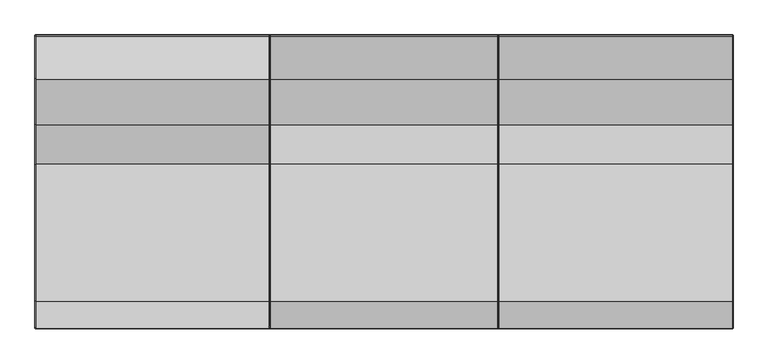
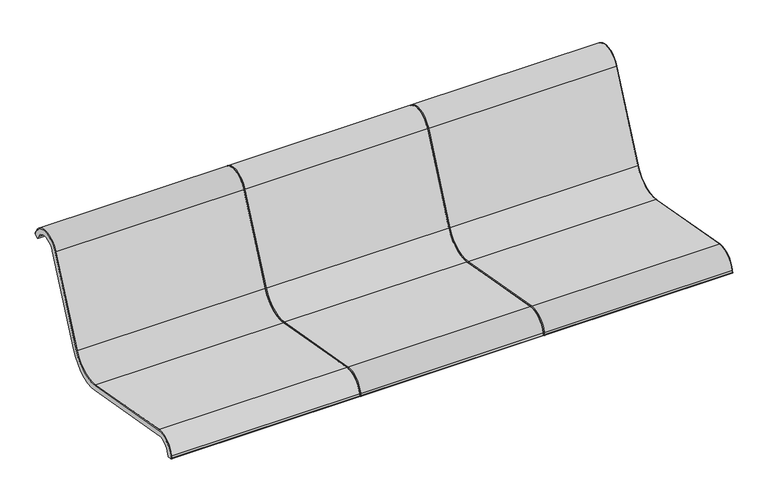
"""IFC4 building model written with IfcOpenShell, lengths in millimetres: furniture geometry."""

from ifc_helpers import new_model, si_unit, point, frame, origin, place, context, project, spatial, polyline, circle_curve, ellipse_curve, trimmed, source, transform, mapped, element, save
from ifc_brep_helpers import plane_surface, cylinder_surface, revolved_surface, advanced_brep


def furniture_48717bb9(model_context):
    return source(origin(), model_context, "Body", "AdvancedBrep", [
        advanced_brep(
        [(-315.5, 387.7145515, 668.2491387), (-315.5, 382.8976748, 677.7027915), (-315.5, 300.0909448, 675.5344209), (-315.5, 173.7831535, 391.8424769), (-315.5, 43.3199172, 322.4739437), (-315.5, -334.8137617, 389.1491136), (-315.5, -386.6445717, 354.1887908), (-315.5, -388.7630396, 344.2221828), (-315.5, -405.3915488, 347.7566815), (-315.5, -403.2730809, 357.7232895), (-315.5, -331.8617426, 405.8908454), (-315.5, 46.2719363, 339.2156755), (-315.5, 158.2528807, 398.7569998), (-315.5, 284.560672, 682.4489438), (-315.5, 398.0447857, 685.4206299), (-315.5, 402.8616624, 675.9669771), (315.5, -388.7630396, 344.2221828), (315.5, -386.6445717, 354.1887908), (315.5, -334.8137617, 389.1491136), (315.5, 43.3199172, 322.4739437), (315.5, 173.7831535, 391.8424769), (315.5, 300.0909448, 675.5344209), (315.5, 382.8976748, 677.7027915), (315.5, 387.7145515, 668.2491387), (315.5, 402.8616624, 675.9669771), (315.5, 398.0447857, 685.4206299), (315.5, 284.560672, 682.4489438), (315.5, 158.2528807, 398.7569998), (315.5, 46.2719363, 339.2156755), (315.5, -331.8617426, 405.8908454), (315.5, -403.2730809, 357.7232895), (315.5, -405.3915488, 347.7566815), (-312.5, -331.3407981, 408.8452686), (312.5, -331.3407981, 408.8452686), (312.5, 46.7928808, 342.1700987), (-312.5000019, 46.7928808, 342.1700987), (-312.5, -406.2075237, 358.3470246), (312.5, -406.2075237, 358.3470246), (-312.5, -407.7022566, 351.3148594), (312.5, -407.7022566, 351.3148594), (-312.5000019, 400.7178052, 686.7826014), (312.5, 400.7178052, 686.7826014), (312.5, 404.1727104, 680.0019682), (-312.5, 404.1727104, 680.0019682), (-312.5, 281.8200356, 683.6691538), (312.5, 281.8200356, 683.6691538), (-312.5, 155.5122443, 399.9772097), (312.5, 155.5122443, 399.9772097)],
        [
            (0, 1),
            (1, 2, circle_curve(frame((-315.5, 342.0114396, 656.8702141), z_axis=(1.0, 0.0, 0.0), x_axis=(0.0, -1.0, 0.0)), 45.8876945)),
            (2, 3),
            (3, 4, circle_curve(frame((-315.5, 64.1576986, 440.650874), z_axis=(-1.0, 0.0, 0.0), x_axis=(0.0, -1.0, 0.0)), 120.0)),
            (4, 5),
            (5, 6, circle_curve(frame((-315.5, -342.6279297, 344.8327647), z_axis=(1.0, 0.0, 0.0), x_axis=(0.0, -1.0, 0.0)), 45.0)),
            (6, 7),
            (7, 8),
            (8, 9),
            (9, 10, circle_curve(frame((-315.5, -342.6279297, 344.8327647), z_axis=(-1.0, 0.0, 0.0), x_axis=(0.0, -0.978147600733805, 0.20791169081776223)), 62.0)),
            (10, 11),
            (11, 12, circle_curve(frame((-315.5, 64.1576986, 440.650874), z_axis=(1.0, 0.0, 0.0), x_axis=(0.0, -0.17364817766693807, -0.9848077530122067)), 103.0)),
            (12, 13),
            (13, 14, circle_curve(frame((-315.5, 342.0114396, 656.8702141), z_axis=(-1.0, 0.0, 0.0), x_axis=(0.0, -0.9135454576427043, 0.4067366430755679)), 62.8876945)),
            (14, 15),
            (15, 0),
            (16, 17),
            (17, 18, circle_curve(frame((315.5, -342.6279297, 344.8327647), z_axis=(-1.0, 0.0, 0.0), x_axis=(0.0, -1.0, 0.0)), 45.0)),
            (18, 19),
            (19, 20, circle_curve(frame((315.5, 64.1576986, 440.650874), z_axis=(1.0, 0.0, 0.0), x_axis=(0.0, -1.0, 0.0)), 120.0)),
            (20, 21),
            (21, 22, circle_curve(frame((315.5, 342.0114396, 656.8702141), z_axis=(-1.0, 0.0, 0.0), x_axis=(0.0, -1.0, 0.0)), 45.8876945)),
            (22, 23),
            (23, 24),
            (24, 25),
            (25, 26, circle_curve(frame((315.5, 342.0114396, 656.8702141), z_axis=(1.0, 0.0, 0.0), x_axis=(0.0, 0.8910065241883703, 0.4539904997395419)), 62.8876945)),
            (26, 27),
            (27, 28, circle_curve(frame((315.5, 64.1576986, 440.650874), z_axis=(-1.0, 0.0, 0.0), x_axis=(0.0, 0.9135454576427068, -0.40673664307556245)), 103.0)),
            (28, 29),
            (29, 30, circle_curve(frame((315.5, -342.6279297, 344.8327647), z_axis=(1.0, 0.0, 0.0), x_axis=(0.0, 0.17364817766694432, 0.9848077530122056)), 62.0)),
            (30, 31),
            (31, 16),
            (32, 33),
            (33, 34),
            (34, 35),
            (35, 32),
            (32, 36, circle_curve(frame((-312.5, -342.6279297, 344.8327647), z_axis=(1.0, 0.0, 0.0), x_axis=(0.0, -1.0, 0.0)), 65.0)),
            (36, 37),
            (37, 33, circle_curve(frame((312.5, -342.6279297, 344.8327647), z_axis=(-1.0, 0.0, 0.0), x_axis=(0.0, -1.0, 0.0)), 65.0)),
            (36, 38),
            (38, 39),
            (39, 37),
            (7, 16),
            (31, 8),
            (6, 17),
            (5, 18),
            (4, 19),
            (3, 20),
            (2, 21),
            (1, 22),
            (0, 23),
            (15, 24),
            (40, 41),
            (41, 42),
            (42, 43),
            (43, 40),
            (40, 44, circle_curve(frame((-312.5, 342.0114396, 656.8702141), z_axis=(1.0, 0.0, 0.0), x_axis=(0.0, -1.0, 0.0)), 65.8876945)),
            (44, 45),
            (45, 41, circle_curve(frame((312.5, 342.0114396, 656.8702141), z_axis=(-1.0, 0.0, 0.0), x_axis=(0.0, -1.0, 0.0)), 65.8876945)),
            (44, 46),
            (46, 47),
            (47, 45),
            (46, 35, circle_curve(frame((-312.5, 64.1576986, 440.650874), z_axis=(-1.0, 0.0, 0.0), x_axis=(0.0, -1.0, 0.0)), 100.0)),
            (34, 47, circle_curve(frame((312.5, 64.1576986, 440.650874), z_axis=(1.0, 0.0, 0.0), x_axis=(0.0, -1.0, 0.0)), 100.0)),
            (46, 12, circle_curve(frame((-312.5, 158.2528807, 398.7569998), z_axis=(0.0, -0.406736643075568, -0.9135454576427042), x_axis=(0.0, 0.9135454576427042, -0.406736643075568)), 3.0)),
            (11, 35, circle_curve(frame((-312.5, 46.2719363, 339.2156755), z_axis=(0.0, 0.9848077530122067, -0.17364817766693788), x_axis=(0.0, -0.17364817766693788, -0.9848077530122067)), 3.0)),
            (44, 13, circle_curve(frame((-312.5, 284.560672, 682.4489438), z_axis=(0.0, -0.40673664307556817, -0.9135454576427042), x_axis=(0.0, 0.9135454576427042, -0.40673664307556817)), 3.0)),
            (40, 14, circle_curve(frame((-312.5, 398.0447857, 685.4206299), z_axis=(0.0, -0.45399049973954786, 0.8910065241883673), x_axis=(0.0, -0.8910065241883673, -0.45399049973954786)), 3.0)),
            (43, 15, ellipse_curve(frame((-312.5, 401.4996909, 678.6399967), z_axis=(-0.7071067811865474, -0.32101976096010315, 0.6300367553350507), x_axis=(-0.7071067811865476, 0.32101976096010315, -0.6300367553350502)), 4.2426407, 3.0)),
            (42, 24, ellipse_curve(frame((312.5, 401.4996909, 678.6399967), z_axis=(-0.7071067811865476, 0.32101976096010343, -0.6300367553350502), x_axis=(0.7071067811865475, 0.32101976096010326, -0.6300367553350503)), 4.2426407, 3.0)),
            (41, 25, circle_curve(frame((312.5, 398.0447857, 685.4206299), z_axis=(0.0, 0.45399049973954725, -0.8910065241883677), x_axis=(0.0, -0.8910065241883677, -0.45399049973954725)), 3.0)),
            (45, 26, circle_curve(frame((312.5, 284.560672, 682.4489438), z_axis=(0.0, 0.40673664307557233, 0.9135454576427023), x_axis=(0.0, 0.9135454576427023, -0.40673664307557233)), 3.0)),
            (47, 27, circle_curve(frame((312.5, 158.2528807, 398.7569998), z_axis=(0.0, 0.40673664307556795, 0.9135454576427045), x_axis=(0.0, 0.9135454576427045, -0.40673664307556795)), 3.0)),
            (34, 28, circle_curve(frame((312.5, 46.2719363, 339.2156755), z_axis=(0.0, 0.9848077530122081, -0.17364817766693072), x_axis=(0.0, -0.17364817766693072, -0.9848077530122081)), 3.0)),
            (33, 29, circle_curve(frame((312.5, -331.8617426, 405.8908454), z_axis=(0.0, 0.984807753012207, -0.17364817766693721), x_axis=(0.0, -0.17364817766693721, -0.984807753012207)), 3.0)),
            (37, 30, circle_curve(frame((312.5, -403.2730809, 357.7232895), z_axis=(0.0, 0.20791169081776625, 0.9781476007338041), x_axis=(0.0, 0.9781476007338041, -0.20791169081776625)), 3.0)),
            (39, 31, ellipse_curve(frame((312.5, -404.7678138, 350.6911243), z_axis=(0.7071067811865474, 0.14701576646520018, 0.6916548014802252), x_axis=(0.7071067811865475, -0.1470157664652006, -0.6916548014802252)), 4.2426407, 3.0)),
            (38, 8, ellipse_curve(frame((-312.5, -404.7678138, 350.6911243), z_axis=(0.7071067811865475, -0.14701576646520106, -0.691654801480225), x_axis=(-0.7071067811865477, -0.14701576646520056, -0.6916548014802248)), 4.2426407, 3.0)),
            (36, 9, circle_curve(frame((-312.5, -403.2730809, 357.7232895), z_axis=(0.0, -0.2079116908177627, -0.9781476007338049), x_axis=(0.0, 0.9781476007338049, -0.2079116908177627)), 3.0)),
            (32, 10, circle_curve(frame((-312.5, -331.8617426, 405.8908454), z_axis=(0.0, -0.9848077530122067, 0.17364817766693802), x_axis=(0.0, -0.17364817766693802, -0.9848077530122067)), 3.0)),
        ],
        [
            plane_surface(frame((-315.5, -35.8423014, 440.650874), z_axis=(-1.0, 0.0, 0.0), x_axis=(0.0, 0.0, -1.0))),
            plane_surface(frame((315.5, -35.8423014, 440.650874), z_axis=(1.0, 0.0, 0.0), x_axis=(0.0, 0.0, 1.0))),
            plane_surface(frame((-315.5, -331.3407981, 408.8452686), z_axis=(0.0, 0.17364817766693752, 0.9848077530122068), x_axis=(1.0, 0.0, 0.0))),
            cylinder_surface(frame((315.5, -342.6279297, 344.8327647), z_axis=(-1.0, 0.0, 0.0), x_axis=(0.0, -1.0, 0.0)), 65.0),
            plane_surface(frame((-315.5, -408.3259916, 348.3804166), z_axis=(0.0, -0.978147600733805, 0.20791169081776237), x_axis=(1.0, 0.0, 0.0))),
            plane_surface(frame((-315.5, -388.7630396, 344.2221828), z_axis=(0.0, -0.20791169081776403, -0.9781476007338047), x_axis=(1.0, 0.0, 0.0))),
            plane_surface(frame((-315.5, -386.6445717, 354.1887908), z_axis=(0.0, 0.978147600733805, -0.20791169081776237), x_axis=(1.0, 0.0, 0.0))),
            revolved_surface(polyline([(315.5, -387.6279297, 344.8327647), (-315.5, -387.6279297, 344.8327647)]), (315.5, -342.6279297, 344.8327647), (1.0, 0.0, 0.0)),
            plane_surface(frame((-315.5, 43.3199172, 322.4739437), z_axis=(0.0, -0.1736481776669378, -0.9848077530122068), x_axis=(1.0, 0.0, 0.0))),
            cylinder_surface(frame((315.5, 64.1576986, 440.650874), z_axis=(-1.0, 0.0, 0.0), x_axis=(0.0, -1.0, 0.0)), 120.0),
            plane_surface(frame((-315.5, 300.0909448, 675.5344209), z_axis=(0.0, 0.9135454576427043, -0.406736643075568), x_axis=(1.0, 0.0, 0.0))),
            revolved_surface(polyline([(315.5, 296.1237451, 656.8702141), (-315.5, 296.1237451, 656.8702141)]), (315.5, 342.0114396, 656.8702141), (1.0, 0.0, 0.0)),
            plane_surface(frame((-315.5, 387.7145515, 668.2491387), z_axis=(0.0, -0.8910065241883677, -0.45399049973954725), x_axis=(1.0, 0.0, 0.0))),
            plane_surface(frame((-315.5, 405.5346819, 677.3289486), z_axis=(0.0, 0.45399049973954636, -0.8910065241883681), x_axis=(1.0, 0.0, 0.0))),
            plane_surface(frame((-315.5, 400.7178052, 686.7826014), z_axis=(0.0, 0.8910065241883678, 0.4539904997395471), x_axis=(1.0, 0.0, 0.0))),
            cylinder_surface(frame((315.5, 342.0114396, 656.8702141), z_axis=(-1.0, 0.0, 0.0), x_axis=(0.0, -1.0, 0.0)), 65.8876945),
            plane_surface(frame((-315.5, 155.5122443, 399.9772097), z_axis=(0.0, -0.9135454576427042, 0.4067366430755681), x_axis=(1.0, 0.0, 0.0))),
            revolved_surface(polyline([(312.5, -35.8423014, 440.650874), (-312.5000018999999, -35.8423014, 440.650874)]), (315.5, 64.1576986, 440.650874), (1.0, 0.0, 0.0)),
            revolved_surface(trimmed(ellipse_curve(frame((-312.5, 46.2719363, 339.2156755), z_axis=(0.0, -0.9848077530122067, 0.17364817766693788), x_axis=(0.0, -0.17364817766693788, -0.9848077530122067)), 3.0, 3.0), [point((-312.5, 46.7928808, 342.1700987))], [point((-315.5, 46.2719363, 339.2156755))], True, "CARTESIAN"), (-315.5, 64.1576986, 440.650874), (1.0, 0.0, 0.0)),
            cylinder_surface(frame((-312.5, 158.2528807, 398.7569998), z_axis=(0.0, 0.40673664307556817, 0.9135454576427042), x_axis=(0.0, 0.9135454576427042, -0.40673664307556817)), 3.0),
            revolved_surface(trimmed(ellipse_curve(frame((-312.5, 284.560672, 682.4489438), z_axis=(0.0, -0.406736643075568, -0.9135454576427043), x_axis=(0.0, 0.9135454576427043, -0.406736643075568)), 3.0, 3.0), [point((-312.5, 281.8200356, 683.6691538))], [point((-315.5, 284.560672, 682.4489438))], True, "CARTESIAN"), (-315.5, 342.0114396, 656.8702141), (-1.0, 0.0, 0.0)),
            cylinder_surface(frame((-312.5, 398.0447857, 685.4206299), z_axis=(0.0, 0.4539904997395469, -0.8910065241883678), x_axis=(0.0, -0.8910065241883678, -0.4539904997395469)), 3.0),
            cylinder_surface(frame((-315.5, 401.4996909, 678.6399967), z_axis=(1.0, 0.0, 0.0), x_axis=(0.0, -0.8910065241883678, -0.4539904997395471)), 3.0),
            cylinder_surface(frame((312.5, 402.8616624, 675.9669771), z_axis=(0.0, -0.45399049973954725, 0.8910065241883677), x_axis=(0.0, -0.8910065241883677, -0.45399049973954725)), 3.0),
            revolved_surface(trimmed(ellipse_curve(frame((312.5, 398.0447857, 685.4206299), z_axis=(0.0, 0.45399049973954214, -0.8910065241883702), x_axis=(0.0, -0.8910065241883702, -0.45399049973954214)), 3.0, 3.0), [point((312.5, 400.7178052, 686.7826014))], [point((315.5, 398.0447857, 685.4206299))], True, "CARTESIAN"), (315.5, 342.0114396, 656.8702141), (1.0, 0.0, 0.0)),
            cylinder_surface(frame((312.5, 284.560672, 682.4489438), z_axis=(0.0, -0.40673664307556795, -0.9135454576427045), x_axis=(0.0, 0.9135454576427045, -0.40673664307556795)), 3.0),
            revolved_surface(trimmed(ellipse_curve(frame((312.5, 158.2528807, 398.7569998), z_axis=(0.0, 0.4067366430755622, 0.9135454576427069), x_axis=(0.0, 0.9135454576427069, -0.4067366430755622)), 3.0, 3.0), [point((312.5, 155.5122443, 399.9772097))], [point((315.5, 158.2528807, 398.7569998))], True, "CARTESIAN"), (315.5, 64.1576986, 440.650874), (-1.0, 0.0, 0.0)),
            cylinder_surface(frame((312.5, 46.2719363, 339.2156755), z_axis=(0.0, -0.984807753012207, 0.17364817766693721), x_axis=(0.0, -0.17364817766693721, -0.984807753012207)), 3.0),
            revolved_surface(trimmed(ellipse_curve(frame((312.5, -331.8617426, 405.8908454), z_axis=(0.0, 0.9848077530122057, -0.173648177666944), x_axis=(0.0, -0.173648177666944, -0.9848077530122057)), 3.0, 3.0), [point((312.5, -331.3407981, 408.8452686))], [point((315.5, -331.8617426, 405.8908454))], True, "CARTESIAN"), (315.5, -342.6279297, 344.8327647), (1.0, 0.0, 0.0)),
            cylinder_surface(frame((312.5, -403.2730809, 357.7232895), z_axis=(0.0, -0.20791169081776206, -0.9781476007338051), x_axis=(0.0, 0.9781476007338051, -0.20791169081776206)), 3.0),
            cylinder_surface(frame((315.5, -404.7678138, 350.6911243), z_axis=(-1.0, 0.0, 0.0), x_axis=(0.0, 0.978147600733805, -0.20791169081776234)), 3.0),
            cylinder_surface(frame((-312.5, -405.3915488, 347.7566815), z_axis=(0.0, 0.2079116908177627, 0.9781476007338049), x_axis=(0.0, 0.9781476007338049, -0.2079116908177627)), 3.0),
            revolved_surface(trimmed(ellipse_curve(frame((-312.5, -403.2730809, 357.7232895), z_axis=(0.0, -0.20791169081776276, -0.9781476007338049), x_axis=(0.0, 0.9781476007338049, -0.20791169081776276)), 3.0, 3.0), [point((-312.5, -406.2075237, 358.3470246))], [point((-315.5, -403.2730809, 357.7232895))], True, "CARTESIAN"), (-315.5, -342.6279297, 344.8327647), (-1.0, 0.0, 0.0)),
            cylinder_surface(frame((-312.5, -331.8617426, 405.8908454), z_axis=(0.0, 0.9848077530122068, -0.17364817766693783), x_axis=(0.0, -0.17364817766693783, -0.9848077530122068)), 3.0),
        ],
        [
            (0, [[1, 2, 3, 4, 5, 6, 7, 8, 9, 10, 11, 12, 13, 14, 15, 16]]),
            (1, [[17, 18, 19, 20, 21, 22, 23, 24, 25, 26, 27, 28, 29, 30, 31, 32]]),
            (2, [[33, 34, 35, 36]]),
            (3, [[-33, 37, 38, 39]]),
            (4, [[-38, 40, 41, 42]]),
            (5, [[43, -32, 44, -8]]),
            (6, [[-7, 45, -17, -43]]),
            (7, [[-6, 46, -18, -45]]),
            (8, [[-5, 47, -19, -46]]),
            (9, [[-4, 48, -20, -47]]),
            (10, [[-3, 49, -21, -48]]),
            (11, [[-2, 50, -22, -49]]),
            (12, [[-1, 51, -23, -50]]),
            (13, [[-51, -16, 52, -24]]),
            (14, [[53, 54, 55, 56]]),
            (15, [[-53, 57, 58, 59]]),
            (16, [[-58, 60, 61, 62]]),
            (17, [[-61, 63, -35, 64]]),
            (18, [[65, -12, 66, -63]]),
            (19, [[-65, -60, 67, -13]]),
            (20, [[-67, -57, 68, -14]]),
            (21, [[-68, -56, 69, -15]]),
            (22, [[-69, -55, 70, -52]]),
            (23, [[-70, -54, 71, -25]]),
            (24, [[-71, -59, 72, -26]]),
            (25, [[-72, -62, 73, -27]]),
            (26, [[-73, -64, 74, -28]]),
            (27, [[-74, -34, 75, -29]]),
            (28, [[-75, -39, 76, -30]]),
            (29, [[-76, -42, 77, -31]]),
            (30, [[-77, -41, 78, -44]]),
            (31, [[-78, -40, 79, -9]]),
            (32, [[-79, -37, 80, -10]]),
            (33, [[-66, -11, -80, -36]]),
        ],
    ),
        advanced_brep(
        [(315.5, 387.7145515, 668.2491387), (315.5, 382.8976748, 677.7027915), (315.5, 300.0909448, 675.5344209), (315.5, 173.7831535, 391.8424769), (315.5, 43.3199172, 322.4739437), (315.5, -334.8137617, 389.1491136), (315.5, -386.6445717, 354.1887908), (315.5, -388.7630396, 344.2221828), (315.5, -405.3915488, 347.7566815), (315.5, -403.2730809, 357.7232895), (315.5, -331.8617426, 405.8908454), (315.5, 46.2719363, 339.2156755), (315.5, 158.2528807, 398.7569998), (315.5, 284.560672, 682.4489438), (315.5, 398.0447857, 685.4206299), (315.5, 402.8616624, 675.9669771), (965.1060612, -388.7630396, 344.2221828), (965.1060612, -386.6445717, 354.1887908), (965.1060612, -334.8137617, 389.1491136), (965.1060612, 43.3199172, 322.4739437), (965.1060612, 173.7831535, 391.8424769), (965.1060612, 300.0909448, 675.5344209), (965.1060612, 382.8976748, 677.7027915), (965.1060612, 387.7145515, 668.2491387), (965.1060612, 402.8616624, 675.9669771), (965.1060612, 398.0447857, 685.4206299), (965.1060612, 284.560672, 682.4489438), (965.1060612, 158.2528807, 398.7569998), (965.1060612, 46.2719363, 339.2156755), (965.1060612, -331.8617426, 405.8908454), (965.1060612, -403.2730809, 357.7232895), (965.1060612, -405.3915488, 347.7566815), (318.5, -331.3407981, 408.8452686), (962.1060612, -331.3407981, 408.8452686), (962.1060612, 46.7928808, 342.1700987), (318.4999986, 46.7928808, 342.1700987), (318.5, -406.2075237, 358.3470246), (962.1060612, -406.2075237, 358.3470246), (318.5, -407.7022566, 351.3148594), (962.1060612, -407.7022566, 351.3148594), (318.4999982, 400.7178052, 686.7826014), (962.1060612, 400.7178052, 686.7826014), (962.1060612, 404.1727104, 680.0019682), (318.5, 404.1727104, 680.0019682), (318.5, 281.8200356, 683.6691538), (962.1060612, 281.8200356, 683.6691538), (318.5, 155.5122443, 399.9772097), (962.1060612, 155.5122443, 399.9772097)],
        [
            (0, 1),
            (1, 2, circle_curve(frame((315.5, 342.0114396, 656.8702141), z_axis=(1.0, 0.0, 0.0), x_axis=(0.0, -1.0, 0.0)), 45.8876945)),
            (2, 3),
            (3, 4, circle_curve(frame((315.5, 64.1576986, 440.650874), z_axis=(-1.0, 0.0, 0.0), x_axis=(0.0, -1.0, 0.0)), 120.0)),
            (4, 5),
            (5, 6, circle_curve(frame((315.5, -342.6279297, 344.8327647), z_axis=(1.0, 0.0, 0.0), x_axis=(0.0, -1.0, 0.0)), 45.0)),
            (6, 7),
            (7, 8),
            (8, 9),
            (9, 10, circle_curve(frame((315.5, -342.6279297, 344.8327647), z_axis=(-1.0, 0.0, 0.0), x_axis=(0.0, -0.978147600733805, 0.20791169081776223)), 62.0)),
            (10, 11),
            (11, 12, circle_curve(frame((315.5, 64.1576986, 440.650874), z_axis=(1.0, 0.0, 0.0), x_axis=(0.0, -0.17364817766693807, -0.9848077530122067)), 103.0)),
            (12, 13),
            (13, 14, circle_curve(frame((315.5, 342.0114396, 656.8702141), z_axis=(-1.0, 0.0, 0.0), x_axis=(0.0, -0.9135454576427043, 0.4067366430755679)), 62.8876945)),
            (14, 15),
            (15, 0),
            (16, 17),
            (17, 18, circle_curve(frame((965.1060612, -342.6279297, 344.8327647), z_axis=(-1.0, 0.0, 0.0), x_axis=(0.0, -1.0, 0.0)), 45.0)),
            (18, 19),
            (19, 20, circle_curve(frame((965.1060612, 64.1576986, 440.650874), z_axis=(1.0, 0.0, 0.0), x_axis=(0.0, -1.0, 0.0)), 120.0)),
            (20, 21),
            (21, 22, circle_curve(frame((965.1060612, 342.0114396, 656.8702141), z_axis=(-1.0, 0.0, 0.0), x_axis=(0.0, -1.0, 0.0)), 45.8876945)),
            (22, 23),
            (23, 24),
            (24, 25),
            (25, 26, circle_curve(frame((965.1060612, 342.0114396, 656.8702141), z_axis=(1.0, 0.0, 0.0), x_axis=(0.0, 0.8910065241883701, 0.4539904997395423)), 62.8876945)),
            (26, 27),
            (27, 28, circle_curve(frame((965.1060612, 64.1576986, 440.650874), z_axis=(-1.0, 0.0, 0.0), x_axis=(0.0, 0.9135454576427068, -0.40673664307556245)), 103.0)),
            (28, 29),
            (29, 30, circle_curve(frame((965.1060612, -342.6279297, 344.8327647), z_axis=(1.0, 0.0, 0.0), x_axis=(0.0, 0.17364817766694432, 0.9848077530122056)), 62.0)),
            (30, 31),
            (31, 16),
            (32, 33),
            (33, 34),
            (34, 35),
            (35, 32),
            (32, 36, circle_curve(frame((318.5, -342.6279297, 344.8327647), z_axis=(1.0, 0.0, 0.0), x_axis=(0.0, -1.0, 0.0)), 65.0)),
            (36, 37),
            (37, 33, circle_curve(frame((962.1060612, -342.6279297, 344.8327647), z_axis=(-1.0, 0.0, 0.0), x_axis=(0.0, -1.0, 0.0)), 65.0)),
            (36, 38),
            (38, 39),
            (39, 37),
            (7, 16),
            (31, 8),
            (6, 17),
            (5, 18),
            (4, 19),
            (3, 20),
            (2, 21),
            (1, 22),
            (0, 23),
            (15, 24),
            (40, 41),
            (41, 42),
            (42, 43),
            (43, 40),
            (40, 44, circle_curve(frame((318.5, 342.0114396, 656.8702141), z_axis=(1.0, 0.0, 0.0), x_axis=(0.0, -1.0, 0.0)), 65.8876945)),
            (44, 45),
            (45, 41, circle_curve(frame((962.1060612, 342.0114396, 656.8702141), z_axis=(-1.0, 0.0, 0.0), x_axis=(0.0, -1.0, 0.0)), 65.8876945)),
            (44, 46),
            (46, 47),
            (47, 45),
            (46, 35, circle_curve(frame((318.5, 64.1576986, 440.650874), z_axis=(-1.0, 0.0, 0.0), x_axis=(0.0, -1.0, 0.0)), 100.0)),
            (34, 47, circle_curve(frame((962.1060612, 64.1576986, 440.650874), z_axis=(1.0, 0.0, 0.0), x_axis=(0.0, -1.0, 0.0)), 100.0)),
            (46, 12, circle_curve(frame((318.5, 158.2528807, 398.7569998), z_axis=(0.0, -0.40673664307556806, -0.9135454576427042), x_axis=(0.0, 0.9135454576427042, -0.40673664307556806)), 3.0)),
            (11, 35, circle_curve(frame((318.5, 46.2719363, 339.2156755), z_axis=(0.0, 0.9848077530122067, -0.17364817766693796), x_axis=(0.0, -0.17364817766693796, -0.9848077530122067)), 3.0)),
            (44, 13, circle_curve(frame((318.5, 284.560672, 682.4489438), z_axis=(0.0, -0.4067366430755682, -0.9135454576427042), x_axis=(0.0, 0.9135454576427042, -0.4067366430755682)), 3.0)),
            (40, 14, circle_curve(frame((318.5, 398.0447857, 685.4206299), z_axis=(0.0, -0.4539904997395486, 0.8910065241883669), x_axis=(0.0, -0.8910065241883669, -0.4539904997395486)), 3.0)),
            (43, 15, ellipse_curve(frame((318.5, 401.4996909, 678.6399967), z_axis=(-0.7071067811865472, -0.3210197609601067, 0.6300367553350488), x_axis=(-0.7071067811865476, 0.32101976096010676, -0.6300367553350485)), 4.2426407, 3.0)),
            (42, 24, ellipse_curve(frame((962.1060612, 401.4996909, 678.6399967), z_axis=(-0.7071067811865476, 0.321019760960107, -0.6300367553350483), x_axis=(0.7071067811865475, 0.3210197609601068, -0.6300367553350484)), 4.2426407, 3.0)),
            (41, 25, circle_curve(frame((962.1060612, 398.0447857, 685.4206299), z_axis=(0.0, 0.4539904997395523, -0.8910065241883651), x_axis=(0.0, -0.8910065241883651, -0.4539904997395523)), 3.0)),
            (45, 26, circle_curve(frame((962.1060612, 284.560672, 682.4489438), z_axis=(0.0, 0.4067366430755731, 0.913545457642702), x_axis=(0.0, 0.913545457642702, -0.4067366430755731)), 3.0)),
            (47, 27, circle_curve(frame((962.1060612, 158.2528807, 398.7569998), z_axis=(0.0, 0.4067366430755679, 0.9135454576427043), x_axis=(0.0, 0.9135454576427043, -0.4067366430755679)), 3.0)),
            (34, 28, circle_curve(frame((962.1060612, 46.2719363, 339.2156755), z_axis=(0.0, 0.9848077530122081, -0.17364817766693072), x_axis=(0.0, -0.17364817766693072, -0.9848077530122081)), 3.0)),
            (33, 29, circle_curve(frame((962.1060612, -331.8617426, 405.8908454), z_axis=(0.0, 0.9848077530122069, -0.17364817766693721), x_axis=(0.0, -0.17364817766693721, -0.9848077530122069)), 3.0)),
            (37, 30, circle_curve(frame((962.1060612, -403.2730809, 357.7232895), z_axis=(0.0, 0.2079116908177667, 0.978147600733804), x_axis=(0.0, 0.978147600733804, -0.2079116908177667)), 3.0)),
            (39, 31, ellipse_curve(frame((962.1060612, -404.7678138, 350.6911243), z_axis=(0.7071067811865475, 0.1470157664652002, 0.6916548014802253), x_axis=(0.7071067811865477, -0.14701576646520062, -0.691654801480225)), 4.2426407, 3.0)),
            (38, 8, ellipse_curve(frame((318.5, -404.7678138, 350.6911243), z_axis=(0.7071067811865476, -0.14701576646520104, -0.691654801480225), x_axis=(-0.7071067811865476, -0.14701576646520065, -0.6916548014802251)), 4.2426407, 3.0)),
            (36, 9, circle_curve(frame((318.5, -403.2730809, 357.7232895), z_axis=(0.0, -0.20791169081776267, -0.9781476007338049), x_axis=(0.0, 0.9781476007338049, -0.20791169081776267)), 3.0)),
            (32, 10, circle_curve(frame((318.5, -331.8617426, 405.8908454), z_axis=(0.0, -0.9848077530122066, 0.17364817766693844), x_axis=(0.0, -0.17364817766693844, -0.9848077530122066)), 3.0)),
        ],
        [
            plane_surface(frame((315.5, -35.8423014, 440.650874), z_axis=(-1.0, 0.0, 0.0), x_axis=(0.0, 0.0, -1.0))),
            plane_surface(frame((965.1060612, -35.8423014, 440.650874), z_axis=(1.0, 0.0, 0.0), x_axis=(0.0, 0.0, 1.0))),
            plane_surface(frame((315.5, -331.3407981, 408.8452686), z_axis=(0.0, 0.17364817766693752, 0.9848077530122068), x_axis=(1.0, 0.0, 0.0))),
            cylinder_surface(frame((965.1060612, -342.6279297, 344.8327647), z_axis=(-1.0, 0.0, 0.0), x_axis=(0.0, -1.0, 0.0)), 65.0),
            plane_surface(frame((315.5, -408.3259916, 348.3804166), z_axis=(0.0, -0.978147600733805, 0.20791169081776237), x_axis=(1.0, 0.0, 0.0))),
            plane_surface(frame((315.5, -388.7630396, 344.2221828), z_axis=(0.0, -0.20791169081776403, -0.9781476007338047), x_axis=(1.0, 0.0, 0.0))),
            plane_surface(frame((315.5, -386.6445717, 354.1887908), z_axis=(0.0, 0.9781476007338065, -0.20791169081775604), x_axis=(1.0, 0.0, 0.0))),
            revolved_surface(polyline([(965.1060612, -387.6279297, 344.8327647), (315.5, -387.6279297, 344.8327647)]), (965.1060612, -342.6279297, 344.8327647), (1.0, 0.0, 0.0)),
            plane_surface(frame((315.5, 43.3199172, 322.4739437), z_axis=(0.0, -0.1736481776669378, -0.9848077530122068), x_axis=(1.0, 0.0, 0.0))),
            cylinder_surface(frame((965.1060612, 64.1576986, 440.650874), z_axis=(-1.0, 0.0, 0.0), x_axis=(0.0, -1.0, 0.0)), 120.0),
            plane_surface(frame((315.5, 300.0909448, 675.5344209), z_axis=(0.0, 0.9135454576427043, -0.406736643075568), x_axis=(1.0, 0.0, 0.0))),
            revolved_surface(polyline([(965.1060612, 296.1237451, 656.8702141), (315.5, 296.1237451, 656.8702141)]), (965.1060612, 342.0114396, 656.8702141), (1.0, 0.0, 0.0)),
            plane_surface(frame((315.5, 387.7145515, 668.2491387), z_axis=(0.0, -0.8910065241883677, -0.45399049973954725), x_axis=(1.0, 0.0, 0.0))),
            plane_surface(frame((315.5, 405.5346819, 677.3289486), z_axis=(0.0, 0.45399049973954636, -0.8910065241883681), x_axis=(1.0, 0.0, 0.0))),
            plane_surface(frame((315.5, 400.7178052, 686.7826014), z_axis=(0.0, 0.8910065241883652, 0.45399049973955213), x_axis=(1.0, 0.0, 0.0))),
            cylinder_surface(frame((965.1060612, 342.0114396, 656.8702141), z_axis=(-1.0, 0.0, 0.0), x_axis=(0.0, -1.0, 0.0)), 65.8876945),
            plane_surface(frame((315.5, 155.5122443, 399.9772097), z_axis=(0.0, -0.9135454576427042, 0.4067366430755681), x_axis=(1.0, 0.0, 0.0))),
            revolved_surface(polyline([(962.1060612, -35.8423014, 440.650874), (318.4999986, -35.8423014, 440.650874)]), (965.1060612, 64.1576986, 440.650874), (1.0, 0.0, 0.0)),
            revolved_surface(trimmed(ellipse_curve(frame((318.5, 46.2719363, 339.2156755), z_axis=(0.0, -0.9848077530122067, 0.17364817766693796), x_axis=(0.0, -0.17364817766693796, -0.9848077530122067)), 3.0, 3.0), [point((318.5, 46.7928808, 342.1700987))], [point((315.5, 46.2719363, 339.2156755))], True, "CARTESIAN"), (315.5, 64.1576986, 440.650874), (1.0, 0.0, 0.0)),
            cylinder_surface(frame((318.5, 158.2528807, 398.7569998), z_axis=(0.0, 0.4067366430755682, 0.9135454576427042), x_axis=(0.0, 0.9135454576427042, -0.4067366430755682)), 3.0),
            revolved_surface(trimmed(ellipse_curve(frame((318.5, 284.560672, 682.4489438), z_axis=(0.0, -0.406736643075568, -0.9135454576427043), x_axis=(0.0, 0.9135454576427043, -0.406736643075568)), 3.0, 3.0), [point((318.5, 281.8200356, 683.6691538))], [point((315.5, 284.560672, 682.4489438))], True, "CARTESIAN"), (315.5, 342.0114396, 656.8702141), (-1.0, 0.0, 0.0)),
            cylinder_surface(frame((318.5, 398.0447857, 685.4206299), z_axis=(0.0, 0.45399049973955197, -0.8910065241883652), x_axis=(0.0, -0.8910065241883652, -0.45399049973955197)), 3.0),
            cylinder_surface(frame((315.5, 401.4996909, 678.6399967), z_axis=(1.0000000000000002, 0.0, 0.0), x_axis=(0.0, -0.8910065241883652, -0.4539904997395521)), 3.0),
            cylinder_surface(frame((962.1060612, 402.8616624, 675.9669771), z_axis=(0.0, -0.4539904997395523, 0.8910065241883651), x_axis=(0.0, -0.8910065241883651, -0.4539904997395523)), 3.0),
            revolved_surface(trimmed(ellipse_curve(frame((962.1060612, 398.0447857, 685.4206299), z_axis=(0.0, 0.45399049973954253, -0.89100652418837), x_axis=(0.0, -0.89100652418837, -0.45399049973954253)), 3.0, 3.0), [point((962.1060612, 400.7178052, 686.7826014))], [point((965.1060612, 398.0447857, 685.4206299))], True, "CARTESIAN"), (965.1060612, 342.0114396, 656.8702141), (1.0, 0.0, 0.0)),
            cylinder_surface(frame((962.1060612, 284.560672, 682.4489438), z_axis=(0.0, -0.4067366430755679, -0.9135454576427043), x_axis=(0.0, 0.9135454576427043, -0.4067366430755679)), 3.0),
            revolved_surface(trimmed(ellipse_curve(frame((962.1060612, 158.2528807, 398.7569998), z_axis=(0.0, 0.4067366430755622, 0.9135454576427069), x_axis=(0.0, 0.9135454576427069, -0.4067366430755622)), 3.0, 3.0), [point((962.1060612, 155.5122443, 399.9772097))], [point((965.1060612, 158.2528807, 398.7569998))], True, "CARTESIAN"), (965.1060612, 64.1576986, 440.650874), (-1.0, 0.0, 0.0)),
            cylinder_surface(frame((962.1060612, 46.2719363, 339.2156755), z_axis=(0.0, -0.9848077530122069, 0.17364817766693721), x_axis=(0.0, -0.17364817766693721, -0.9848077530122069)), 3.0),
            revolved_surface(trimmed(ellipse_curve(frame((962.1060612, -331.8617426, 405.8908454), z_axis=(0.0, 0.9848077530122056, -0.1736481776669442), x_axis=(0.0, -0.1736481776669442, -0.9848077530122056)), 3.0, 3.0), [point((962.1060612, -331.3407981, 408.8452686))], [point((965.1060612, -331.8617426, 405.8908454))], True, "CARTESIAN"), (965.1060612, -342.6279297, 344.8327647), (1.0, 0.0, 0.0)),
            cylinder_surface(frame((962.1060612, -403.2730809, 357.7232895), z_axis=(0.0, -0.20791169081776206, -0.978147600733805), x_axis=(0.0, 0.978147600733805, -0.20791169081776206)), 3.0),
            cylinder_surface(frame((965.1060612, -404.7678138, 350.6911243), z_axis=(-1.0, 0.0, 0.0), x_axis=(0.0, 0.978147600733805, -0.2079116908177623)), 3.0),
            cylinder_surface(frame((318.5, -405.3915488, 347.7566815), z_axis=(0.0, 0.20791169081776267, 0.9781476007338049), x_axis=(0.0, 0.9781476007338049, -0.20791169081776267)), 3.0),
            revolved_surface(trimmed(ellipse_curve(frame((318.5, -403.2730809, 357.7232895), z_axis=(0.0, -0.20791169081776273, -0.9781476007338049), x_axis=(0.0, 0.9781476007338049, -0.20791169081776273)), 3.0, 3.0), [point((318.5, -406.2075237, 358.3470246))], [point((315.5, -403.2730809, 357.7232895))], True, "CARTESIAN"), (315.5, -342.6279297, 344.8327647), (-1.0, 0.0, 0.0)),
            cylinder_surface(frame((318.5, -331.8617426, 405.8908454), z_axis=(0.0, 0.9848077530122068, -0.17364817766693777), x_axis=(0.0, -0.17364817766693777, -0.9848077530122068)), 3.0),
        ],
        [
            (0, [[1, 2, 3, 4, 5, 6, 7, 8, 9, 10, 11, 12, 13, 14, 15, 16]]),
            (1, [[17, 18, 19, 20, 21, 22, 23, 24, 25, 26, 27, 28, 29, 30, 31, 32]]),
            (2, [[33, 34, 35, 36]]),
            (3, [[-33, 37, 38, 39]]),
            (4, [[-38, 40, 41, 42]]),
            (5, [[43, -32, 44, -8]]),
            (6, [[-7, 45, -17, -43]]),
            (7, [[-6, 46, -18, -45]]),
            (8, [[-5, 47, -19, -46]]),
            (9, [[-4, 48, -20, -47]]),
            (10, [[-3, 49, -21, -48]]),
            (11, [[-2, 50, -22, -49]]),
            (12, [[-1, 51, -23, -50]]),
            (13, [[-51, -16, 52, -24]]),
            (14, [[53, 54, 55, 56]]),
            (15, [[-53, 57, 58, 59]]),
            (16, [[-58, 60, 61, 62]]),
            (17, [[-61, 63, -35, 64]]),
            (18, [[65, -12, 66, -63]]),
            (19, [[-65, -60, 67, -13]]),
            (20, [[-67, -57, 68, -14]]),
            (21, [[-68, -56, 69, -15]]),
            (22, [[-69, -55, 70, -52]]),
            (23, [[-70, -54, 71, -25]]),
            (24, [[-71, -59, 72, -26]]),
            (25, [[-72, -62, 73, -27]]),
            (26, [[-73, -64, 74, -28]]),
            (27, [[-74, -34, 75, -29]]),
            (28, [[-75, -39, 76, -30]]),
            (29, [[-76, -42, 77, -31]]),
            (30, [[-77, -41, 78, -44]]),
            (31, [[-78, -40, 79, -9]]),
            (32, [[-79, -37, 80, -10]]),
            (33, [[-66, -11, -80, -36]]),
        ],
    ),
        advanced_brep(
        [(-315.5, -388.7630396, 344.2221828), (-315.5, -386.6445717, 354.1887908), (-315.5, -334.8137617, 389.1491136), (-315.5, 43.3199172, 322.4739437), (-315.5, 173.7831535, 391.8424769), (-315.5, 300.0909448, 675.5344209), (-315.5, 382.8976748, 677.7027915), (-315.5, 387.7145515, 668.2491387), (-315.5, 402.8355839, 675.9536895), (-315.5, 398.0187072, 685.4073423), (-315.5, 284.5874101, 682.4370393), (-315.5, 158.2796189, 398.7450952), (-315.5, 46.2668538, 339.1868516), (-315.5, -331.8668251, 405.8620215), (-315.5, -403.2444519, 357.7172042), (-315.5, -405.3629199, 347.7505963), (-965.1060612, 387.7145515, 668.2491387), (-965.1060612, 382.8976748, 677.7027915), (-965.1060612, 300.0909448, 675.5344209), (-965.1060612, 173.7831535, 391.8424769), (-965.1060612, 43.3199172, 322.4739437), (-965.1060612, -334.8137617, 389.1491136), (-965.1060612, -386.6445717, 354.1887908), (-965.1060612, -388.7630396, 344.2221828), (-965.1060612, -405.3629199, 347.7505963), (-965.1060612, -403.2444519, 357.7172042), (-965.1060612, -331.8668251, 405.8620215), (-965.1060612, 46.2668538, 339.1868516), (-965.1060612, 158.2796189, 398.7450952), (-965.1060612, 284.5874101, 682.4370393), (-965.1060612, 398.0187072, 685.4073423), (-965.1060612, 402.8355839, 675.9536895), (-318.5292686, 46.7928808, 342.1700987), (-962.076793, 46.7928808, 342.1700987), (-962.0767926, -331.3407981, 408.8452686), (-318.5292686, -331.3407981, 408.8452686), (-962.0767926, -406.2075237, 358.3470246), (-318.5292686, -406.2075237, 358.3470246), (-962.0767926, -407.6961713, 351.3434884), (-318.5292686, -407.6961713, 351.3434884), (-962.0767943, 400.7178052, 686.7826014), (-318.5292686, 400.7178052, 686.7826014), (-318.5292686, 404.1594228, 680.0280467), (-962.0767926, 404.1594228, 680.0280467), (-962.0767926, 281.8200356, 683.6691538), (-318.5292686, 281.8200356, 683.6691538), (-962.0767926, 155.5122443, 399.9772097), (-318.5292686, 155.5122443, 399.9772097)],
        [
            (0, 1),
            (1, 2, circle_curve(frame((-315.5, -342.6279297, 344.8327647), z_axis=(-1.0, 0.0, 0.0), x_axis=(0.0, -1.0, 0.0)), 45.0)),
            (2, 3),
            (3, 4, circle_curve(frame((-315.5, 64.1576986, 440.650874), z_axis=(1.0, 0.0, 0.0), x_axis=(0.0, -1.0, 0.0)), 120.0)),
            (4, 5),
            (5, 6, circle_curve(frame((-315.5, 342.0114396, 656.8702141), z_axis=(-1.0, 0.0, 0.0), x_axis=(0.0, -1.0, 0.0)), 45.8876945)),
            (6, 7),
            (7, 8),
            (8, 9),
            (9, 10, circle_curve(frame((-315.5, 342.0114396, 656.8702141), z_axis=(1.0, 0.0, 0.0), x_axis=(0.0, 0.8910065241883733, 0.453990499739536)), 62.8584259)),
            (10, 11),
            (11, 12, circle_curve(frame((-315.5, 64.1576986, 440.650874), z_axis=(-1.0, 0.0, 0.0), x_axis=(0.0, 0.9135454576427094, -0.4067366430755564)), 103.0292686)),
            (12, 13),
            (13, 14, circle_curve(frame((-315.5, -342.6279297, 344.8327647), z_axis=(1.0, 0.0, 0.0), x_axis=(0.0, 0.17364817766695045, 0.9848077530122045)), 61.9707314)),
            (14, 15),
            (15, 0),
            (16, 17),
            (17, 18, circle_curve(frame((-965.1060612, 342.0114396, 656.8702141), z_axis=(1.0, 0.0, 0.0), x_axis=(0.0, -1.0, 0.0)), 45.8876945)),
            (18, 19),
            (19, 20, circle_curve(frame((-965.1060612, 64.1576986, 440.650874), z_axis=(-1.0, 0.0, 0.0), x_axis=(0.0, -1.0, 0.0)), 120.0)),
            (20, 21),
            (21, 22, circle_curve(frame((-965.1060612, -342.6279297, 344.8327647), z_axis=(1.0, 0.0, 0.0), x_axis=(0.0, -1.0, 0.0)), 45.0)),
            (22, 23),
            (23, 24),
            (24, 25),
            (25, 26, circle_curve(frame((-965.1060612, -342.6279297, 344.8327647), z_axis=(-1.0, 0.0, 0.0), x_axis=(0.0, -0.978147600733805, 0.20791169081776198)), 61.9707314)),
            (26, 27),
            (27, 28, circle_curve(frame((-965.1060612, 64.1576986, 440.650874), z_axis=(1.0, 0.0, 0.0), x_axis=(0.0, -0.17364817766693744, -0.9848077530122068)), 103.0292686)),
            (28, 29),
            (29, 30, circle_curve(frame((-965.1060612, 342.0114396, 656.8702141), z_axis=(-1.0, 0.0, 0.0), x_axis=(0.0, -0.9135454576427045, 0.4067366430755676)), 62.8584259)),
            (30, 31),
            (31, 16),
            (32, 33),
            (33, 34),
            (34, 35),
            (35, 32),
            (34, 36, circle_curve(frame((-962.0767926, -342.6279297, 344.8327647), z_axis=(1.0, 0.0, 0.0), x_axis=(0.0, -1.0, 0.0)), 65.0)),
            (36, 37),
            (37, 35, circle_curve(frame((-318.5292686, -342.6279297, 344.8327647), z_axis=(-1.0, 0.0, 0.0), x_axis=(0.0, -1.0, 0.0)), 65.0)),
            (36, 38),
            (38, 39),
            (39, 37),
            (23, 0),
            (15, 24),
            (22, 1),
            (21, 2),
            (20, 3),
            (19, 4),
            (18, 5),
            (17, 6),
            (16, 7),
            (31, 8),
            (40, 41),
            (41, 42),
            (42, 43),
            (43, 40),
            (40, 44, circle_curve(frame((-962.0767926, 342.0114396, 656.8702141), z_axis=(1.0, 0.0, 0.0), x_axis=(0.0, -1.0, 0.0)), 65.8876945)),
            (44, 45),
            (45, 41, circle_curve(frame((-318.5292686, 342.0114396, 656.8702141), z_axis=(-1.0, 0.0, 0.0), x_axis=(0.0, -1.0, 0.0)), 65.8876945)),
            (44, 46),
            (46, 47),
            (47, 45),
            (32, 47, circle_curve(frame((-318.5292686, 64.1576986, 440.650874), z_axis=(1.0, 0.0, 0.0), x_axis=(0.0, -1.0, 0.0)), 100.0)),
            (46, 33, circle_curve(frame((-962.0767926, 64.1576986, 440.650874), z_axis=(-1.0, 0.0, 0.0), x_axis=(0.0, -1.0, 0.0)), 100.0)),
            (46, 28, circle_curve(frame((-962.0767926, 158.2796189, 398.7450952), z_axis=(0.0, -0.4067366430755687, -0.9135454576427039), x_axis=(1.0, 0.0, 0.0)), 3.0292686)),
            (27, 33, circle_curve(frame((-962.0767926, 46.2668538, 339.1868516), z_axis=(0.0, 0.9848077530122068, -0.17364817766693735), x_axis=(1.0, 0.0, 0.0)), 3.0292686)),
            (44, 29, circle_curve(frame((-962.0767926, 284.5874101, 682.4370393), z_axis=(0.0, -0.4067366430755683, -0.9135454576427042), x_axis=(1.0, 0.0, 0.0)), 3.0292686)),
            (40, 30, circle_curve(frame((-962.0767926, 398.0187072, 685.4073423), z_axis=(0.0, -0.45399049973954714, 0.8910065241883677), x_axis=(1.0, 0.0, 0.0)), 3.0292686)),
            (43, 31, ellipse_curve(frame((-962.0767926, 401.4603247, 678.6527875), z_axis=(-0.7071067811865475, -0.3210197609601107, 0.6300367553350467), x_axis=(-0.7071067811865475, 0.3210197609601103, -0.6300367553350467)), 4.2840327, 3.0292686)),
            (42, 8, ellipse_curve(frame((-318.5292686, 401.4603247, 678.6527875), z_axis=(-0.7071067811865475, 0.3210197609601101, -0.6300367553350469), x_axis=(0.7071067811865478, 0.32101976096011026, -0.6300367553350467)), 4.2840327, 3.0292686)),
            (41, 9, circle_curve(frame((-318.5292686, 398.0187072, 685.4073423), z_axis=(0.0, 0.45399049973955696, -0.8910065241883627), x_axis=(-1.0, 0.0, 0.0)), 3.0292686)),
            (45, 10, circle_curve(frame((-318.5292686, 284.5874101, 682.4370393), z_axis=(0.0, 0.4067366430755733, 0.913545457642702), x_axis=(-1.0, 0.0, 0.0)), 3.0292686)),
            (47, 11, circle_curve(frame((-318.5292686, 158.2796189, 398.7450952), z_axis=(0.0, 0.40673664307556856, 0.913545457642704), x_axis=(-1.0, 0.0, 0.0)), 3.0292686)),
            (32, 12, circle_curve(frame((-318.5292686, 46.2668538, 339.1868516), z_axis=(0.0, 0.9848077530122081, -0.17364817766693078), x_axis=(-1.0, 0.0, 0.0)), 3.0292686)),
            (35, 13, circle_curve(frame((-318.5292686, -331.8668251, 405.8620215), z_axis=(0.0, 0.9848077530122068, -0.17364817766693777), x_axis=(-1.0, 0.0, 0.0)), 3.0292686)),
            (37, 14, circle_curve(frame((-318.5292686, -403.2444519, 357.7172042), z_axis=(0.0, 0.20791169081776623, 0.9781476007338041), x_axis=(-1.0, 0.0, 0.0)), 3.0292686)),
            (39, 15, ellipse_curve(frame((-318.5292686, -404.7330995, 350.713668), z_axis=(0.7071067811865475, 0.147015766465201, 0.6916548014802251), x_axis=(0.7071067811865476, -0.14701576646520062, -0.6916548014802251)), 4.2840327, 3.0292686)),
            (38, 24, ellipse_curve(frame((-962.0767926, -404.7330995, 350.713668), z_axis=(0.7071067811865475, -0.1470157664652002, -0.6916548014802252), x_axis=(-0.7071067811865475, -0.14701576646520056, -0.6916548014802251)), 4.2840327, 3.0292686)),
            (36, 25, circle_curve(frame((-962.0767926, -403.2444519, 357.7172042), z_axis=(0.0, -0.2079116908177621, -0.9781476007338051), x_axis=(1.0, 0.0, 0.0)), 3.0292686)),
            (34, 26, circle_curve(frame((-962.0767926, -331.8668251, 405.8620215), z_axis=(0.0, -0.9848077530122069, 0.17364817766693694), x_axis=(1.0, 0.0, 0.0)), 3.0292686)),
        ],
        [
            plane_surface(frame((-315.5, -330.1637759, 408.6377279), z_axis=(1.0, 0.0, 0.0), x_axis=(0.0, -0.9848077530122068, 0.17364817766693752))),
            plane_surface(frame((-965.1060612, -330.1637759, 408.6377279), z_axis=(-1.0, 0.0, 0.0), x_axis=(0.0, 0.9848077530122068, -0.17364817766693752))),
            plane_surface(frame((-315.5, 46.7928808, 342.1700987), z_axis=(0.0, 0.17364817766693752, 0.9848077530122068), x_axis=(-1.0, 0.0, 0.0))),
            cylinder_surface(frame((-965.1060612, -342.6279297, 344.8327647), z_axis=(1.0, 0.0, 0.0), x_axis=(0.0, -1.0, 0.0)), 65.0),
            plane_surface(frame((-315.5, -406.2075237, 358.3470246), z_axis=(0.0, -0.978147600733805, 0.20791169081776237), x_axis=(-1.0, 0.0, 0.0))),
            plane_surface(frame((-315.5, -408.3259916, 348.3804166), z_axis=(0.0, -0.20791169081776403, -0.9781476007338047), x_axis=(-1.0, 0.0, 0.0))),
            plane_surface(frame((-315.5, -388.7630396, 344.2221828), z_axis=(0.0, 0.9781476007338065, -0.20791169081775604), x_axis=(-1.0, 0.0, 0.0))),
            revolved_surface(polyline([(-965.1060612, -387.6279297, 344.8327647), (-315.5, -387.6279297, 344.8327647)]), (-965.1060612, -342.6279297, 344.8327647), (-1.0, 0.0, 0.0)),
            plane_surface(frame((-315.5, -334.8137617, 389.1491136), z_axis=(0.0, -0.1736481776669378, -0.9848077530122068), x_axis=(-1.0, 0.0, 0.0))),
            cylinder_surface(frame((-965.1060612, 64.1576986, 440.650874), z_axis=(1.0, 0.0, 0.0), x_axis=(0.0, -1.0, 0.0)), 120.0),
            plane_surface(frame((-315.5, 173.7831535, 391.8424769), z_axis=(0.0, 0.9135454576427043, -0.406736643075568), x_axis=(-1.0, 0.0, 0.0))),
            revolved_surface(polyline([(-965.1060612, 296.1237451, 656.8702141), (-315.5, 296.1237451, 656.8702141)]), (-965.1060612, 342.0114396, 656.8702141), (-1.0, 0.0, 0.0)),
            plane_surface(frame((-315.5, 382.8976748, 677.7027915), z_axis=(0.0, -0.8910065241883677, -0.45399049973954725), x_axis=(-1.0, 0.0, 0.0))),
            plane_surface(frame((-315.5, 387.7145515, 668.2491387), z_axis=(0.0, 0.45399049973954636, -0.8910065241883681), x_axis=(-1.0, 0.0, 0.0))),
            plane_surface(frame((-315.5, 405.5346819, 677.3289486), z_axis=(0.0, 0.8910065241883652, 0.45399049973955213), x_axis=(-1.0, 0.0, 0.0))),
            cylinder_surface(frame((-965.1060612, 342.0114396, 656.8702141), z_axis=(1.0, 0.0, 0.0), x_axis=(0.0, -1.0, 0.0)), 65.8876945),
            plane_surface(frame((-315.5, 281.8200356, 683.6691538), z_axis=(0.0, -0.9135454576427042, 0.4067366430755681), x_axis=(-1.0, 0.0, 0.0))),
            revolved_surface(polyline([(-962.076793, -35.8423014, 440.650874), (-318.5292686, -35.8423014, 440.650874)]), (-965.1060612, 64.1576986, 440.650874), (-1.0, 0.0, 0.0)),
            revolved_surface(trimmed(ellipse_curve(frame((-962.0767926, 46.2668538, 339.1868516), z_axis=(0.0, -0.9848077530122068, 0.17364817766693735), x_axis=(1.0, 0.0, 0.0)), 3.0292686, 3.0292686), [point((-962.0767926, 46.7928808, 342.1700987))], [point((-965.1060612, 46.2668538, 339.1868516))], True, "CARTESIAN"), (-965.1060612, 64.1576986, 440.650874), (1.0, 0.0, 0.0)),
            cylinder_surface(frame((-962.0767926, 158.2796189, 398.7450952), z_axis=(0.0, 0.4067366430755683, 0.9135454576427042), x_axis=(1.0, 0.0, 0.0)), 3.0292686),
            revolved_surface(trimmed(ellipse_curve(frame((-962.0767926, 284.5874101, 682.4370393), z_axis=(0.0, -0.40673664307556767, -0.9135454576427045), x_axis=(1.0, 0.0, 0.0)), 3.0292686, 3.0292686), [point((-962.0767926, 281.8200356, 683.6691538))], [point((-965.1060612, 284.5874101, 682.4370393))], True, "CARTESIAN"), (-965.1060612, 342.0114396, 656.8702141), (-1.0, 0.0, 0.0)),
            cylinder_surface(frame((-962.0767926, 398.0187072, 685.4073423), z_axis=(0.0, 0.4539904997395573, -0.8910065241883625), x_axis=(1.0, 0.0, 0.0)), 3.0292686),
            cylinder_surface(frame((-965.1060612, 401.4603247, 678.6527875), z_axis=(1.0, 0.0, 0.0), x_axis=(0.0, -0.45399049973955713, 0.8910065241883626)), 3.0292686),
            cylinder_surface(frame((-318.5292686, 402.8355839, 675.9536895), z_axis=(0.0, -0.45399049973955696, 0.8910065241883627), x_axis=(-1.0, 0.0, 0.0)), 3.0292686),
            revolved_surface(trimmed(ellipse_curve(frame((-318.5292686, 398.0187072, 685.4073423), z_axis=(0.0, 0.45399049973953576, -0.8910065241883734), x_axis=(-1.0, 0.0, 0.0)), 3.0292686, 3.0292686), [point((-318.5292686, 400.7178052, 686.7826014))], [point((-315.5, 398.0187072, 685.4073423))], True, "CARTESIAN"), (-315.5, 342.0114396, 656.8702141), (1.0, 0.0, 0.0)),
            cylinder_surface(frame((-318.5292686, 284.5874101, 682.4370393), z_axis=(0.0, -0.40673664307556856, -0.913545457642704), x_axis=(-1.0, 0.0, 0.0)), 3.0292686),
            revolved_surface(trimmed(ellipse_curve(frame((-318.5292686, 158.2796189, 398.7450952), z_axis=(0.0, 0.4067366430755567, 0.9135454576427093), x_axis=(-1.0, 0.0, 0.0)), 3.0292686, 3.0292686), [point((-318.5292686, 155.5122443, 399.9772097))], [point((-315.5, 158.2796189, 398.7450952))], True, "CARTESIAN"), (-315.5, 64.1576986, 440.650874), (-1.0, 0.0, 0.0)),
            cylinder_surface(frame((-318.5292686, 46.2668538, 339.1868516), z_axis=(0.0, -0.9848077530122068, 0.17364817766693777), x_axis=(-1.0, 0.0, 0.0)), 3.0292686),
            revolved_surface(trimmed(ellipse_curve(frame((-318.5292686, -331.8668251, 405.8620215), z_axis=(0.0, 0.9848077530122045, -0.17364817766695076), x_axis=(-1.0, 0.0, 0.0)), 3.0292686, 3.0292686), [point((-318.5292686, -331.3407981, 408.8452686))], [point((-315.5, -331.8668251, 405.8620215))], True, "CARTESIAN"), (-315.5, -342.6279297, 344.8327647), (1.0, 0.0, 0.0)),
            cylinder_surface(frame((-318.5292686, -403.2444519, 357.7172042), z_axis=(0.0, -0.20791169081776262, -0.9781476007338049), x_axis=(-1.0, 0.0, 0.0)), 3.0292686),
            cylinder_surface(frame((-315.5, -404.7330995, 350.713668), z_axis=(-1.0, 0.0, 0.0), x_axis=(0.0, 0.2079116908177624, 0.978147600733805)), 3.0292686),
            cylinder_surface(frame((-962.0767926, -405.3629199, 347.7505963), z_axis=(0.0, 0.2079116908177621, 0.9781476007338051), x_axis=(1.0, 0.0, 0.0)), 3.0292686),
            revolved_surface(trimmed(ellipse_curve(frame((-962.0767926, -403.2444519, 357.7172042), z_axis=(0.0, -0.20791169081776165, -0.9781476007338051), x_axis=(1.0, 0.0, 0.0)), 3.0292686, 3.0292686), [point((-962.0767926, -406.2075237, 358.3470246))], [point((-965.1060612, -403.2444519, 357.7172042))], True, "CARTESIAN"), (-965.1060612, -342.6279297, 344.8327647), (-1.0, 0.0, 0.0)),
            cylinder_surface(frame((-962.0767926, -331.8668251, 405.8620215), z_axis=(0.0, 0.9848077530122069, -0.17364817766693713), x_axis=(1.0, 0.0, 0.0)), 3.0292686),
        ],
        [
            (0, [[1, 2, 3, 4, 5, 6, 7, 8, 9, 10, 11, 12, 13, 14, 15, 16]]),
            (1, [[17, 18, 19, 20, 21, 22, 23, 24, 25, 26, 27, 28, 29, 30, 31, 32]]),
            (2, [[33, 34, 35, 36]]),
            (3, [[-35, 37, 38, 39]]),
            (4, [[-38, 40, 41, 42]]),
            (5, [[43, -16, 44, -24]]),
            (6, [[-1, -43, -23, 45]]),
            (7, [[-2, -45, -22, 46]]),
            (8, [[-3, -46, -21, 47]]),
            (9, [[-4, -47, -20, 48]]),
            (10, [[-5, -48, -19, 49]]),
            (11, [[-6, -49, -18, 50]]),
            (12, [[-7, -50, -17, 51]]),
            (13, [[-51, -32, 52, -8]]),
            (14, [[53, 54, 55, 56]]),
            (15, [[-53, 57, 58, 59]]),
            (16, [[-58, 60, 61, 62]]),
            (17, [[-33, 63, -61, 64]]),
            (18, [[65, -28, 66, -64]]),
            (19, [[-65, -60, 67, -29]]),
            (20, [[-67, -57, 68, -30]]),
            (21, [[-68, -56, 69, -31]]),
            (22, [[-69, -55, 70, -52]]),
            (23, [[-70, -54, 71, -9]]),
            (24, [[-71, -59, 72, -10]]),
            (25, [[-72, -62, 73, -11]]),
            (26, [[-73, -63, 74, -12]]),
            (27, [[-74, -36, 75, -13]]),
            (28, [[-75, -39, 76, -14]]),
            (29, [[-76, -42, 77, -15]]),
            (30, [[-77, -41, 78, -44]]),
            (31, [[-78, -40, 79, -25]]),
            (32, [[-79, -37, 80, -26]]),
            (33, [[-66, -27, -80, -34]]),
        ],
    ),
    ])


if __name__ == "__main__":
    model = new_model("IFC4")
    model_context = context("Model", 3, world=origin())
    ifc_project = project(units=[si_unit("LENGTHUNIT", "METRE", prefix="MILLI")], contexts=[model_context])
    site = spatial("IfcSite", under=ifc_project)
    building = spatial("IfcBuilding", under=site)
    placement = place(None, origin())
    furniture_shape = furniture_48717bb9(model_context)
    element("IfcFurniture", 1, at=placement, inside=building, context=model_context, shape_type="MappedRepresentation", body=[
        mapped(furniture_shape, transform((0.0, 0.0, 0.0), x_axis=(1.0, 0.0, 0.0), y_axis=(0.0, 1.0, 0.0), z_axis=(0.0, 0.0, 1.0))),
    ])
    save(model, "model.ifc")
